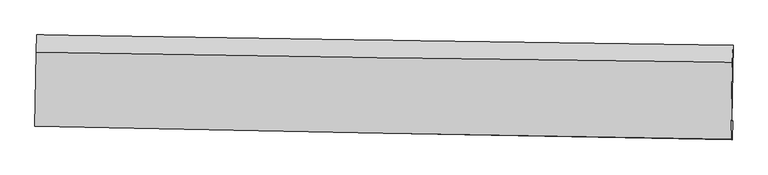
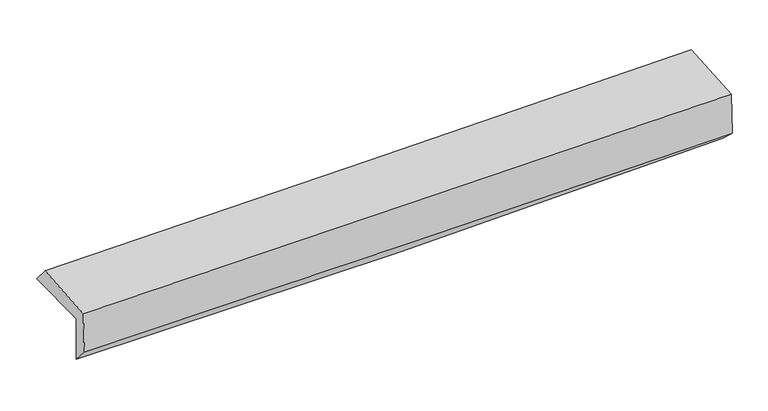
"""IFC4 building model written with IfcOpenShell, lengths in millimetres: proxy geometry."""

from ifc_helpers import new_model, si_unit, frame, origin, place, context, project, spatial, source, transform, mapped, element, save
from ifc_brep_helpers import plane_surface, spline_curve, spline_surface, advanced_brep


def generic_models_b61465f9(model_context):
    return source(origin(), model_context, "Body", "AdvancedBrep", [
        advanced_brep(
        [(-3020.39044, -1756.3145382, 1963.5620134), (-3008.975132, -1096.8283339, 1957.703967), (3008.6770879, -1188.3245257, 2099.1981318), (2997.4197203, -1845.046632, 2100.3702154), (-3010.2590745, -1738.8990008, 1547.2116815), (3007.1455033, -1837.8052062, 1693.8261511), (-3016.5114175, -1885.5360491, 1705.7699982), (3000.7100213, -2001.5436953, 1847.7572119), (-3025.6522875, -1884.2995656, 2093.6869574), (2991.5639152, -2000.3065035, 2235.8963783), (-3015.5308678, -1246.5464624, 2126.8771686), (3002.1593627, -1332.6847948, 2270.6410238)],
        [
            (0, 1),
            (1, 2, spline_curve(3, [(-3008.975132, -1096.8283339, 1957.703967), (-2005.609303033, -1112.582233381, 1962.925062851), (-1002.454748073, -1128.083874901, 1977.326816824), (1003.429324058, -1158.582604249, 2024.491584242), (2006.158842369, -1173.579693263, 2057.254551566), (3008.6770879, -1188.3245257, 2099.1981318)], [4, 2, 4], [0.0, 9.875744042921706, 19.751463573165204])),
            (2, 3),
            (3, 0, spline_curve(3, [(2997.4197203, -1845.046632, 2100.3702154), (1994.930090983, -1825.118259219, 2060.96788593), (992.20171886, -1807.759737826, 2029.866041169), (-1013.73500014, -1778.182360266, 1984.263266235), (-2016.943348144, -1765.963517383, 1969.762376509), (-3020.39044, -1756.3145382, 1963.5620134)], [4, 2, 4], [0.0, 9.875719530243497, 19.751463573165204])),
            (4, 0),
            (3, 5),
            (5, 4, spline_curve(3, [(3007.1455033, -1837.8052062, 1693.8261511), (2004.829114897, -1819.393194197, 1645.991009866), (1002.221162235, -1801.945013446, 1609.855567408), (-1003.580362548, -1768.976273638, 1560.98401914), (-2006.773935355, -1753.455719211, 1548.247971858), (-3010.2590745, -1738.8990008, 1547.2116815)], [4, 2, 4], [0.0, 9.875831473249535, 19.751687459455134])),
            (6, 4),
            (5, 7),
            (7, 6, spline_curve(3, [(3000.7100213, -2001.5436953, 1847.7572119), (1997.837258828, -1984.728087115, 1822.323002847), (994.966380293, -1966.652992845, 1797.773644057), (-1010.77409953, -1927.983783565, 1750.444568205), (-2013.643700158, -1907.389662702, 1727.664855997), (-3016.5114175, -1885.5360491, 1705.7699982)], [4, 2, 4], [0.0, 9.875513045980254, 19.7510506041262])),
            (8, 6),
            (7, 9),
            (9, 8, spline_curve(3, [(2991.5639152, -2000.3065035, 2235.8963783), (1988.693661198, -1983.491234637, 2210.355717486), (985.824473073, -1965.416369044, 2185.734615547), (-1019.914261307, -1926.747395765, 2138.331470823), (-2022.783807128, -1906.153282194, 2115.549432465), (-3025.6522875, -1884.2995656, 2093.6869574)], [4, 2, 4], [0.0, 9.87535088575643, 19.750726283276048])),
            (10, 8),
            (9, 11),
            (11, 10, spline_curve(3, [(3002.1593627, -1332.6847948, 2270.6410238), (1999.209534373, -1320.883517456, 2244.839422782), (996.261056895, -1307.804695073, 2219.958314599), (-1009.635686726, -1279.091923893, 2172.037025128), (-2012.583952512, -1263.457968832, 2148.996848203), (-3015.5308678, -1246.5464624, 2126.8771686)], [4, 2, 4], [0.0, 9.875328279128771, 19.75068106996462])),
            (1, 10),
            (11, 2),
        ],
        [
            spline_surface(3, 3, [[(-3020.39044, -1756.3145382, 1963.5620134), (-2016.943348151, -1765.963517316, 1969.762376593), (-1013.73500009, -1778.182360373, 1984.263266101), (992.20171881, -1807.759737719, 2029.866041304), (1994.930090879, -1825.118259284, 2060.967885802), (2997.4197203, -1845.046632, 2100.3702154)], [(-3016.585337345, -1536.485803421, 1961.609331254), (-2013.165333119, -1548.169755989, 1967.483271951), (-1009.974916096, -1561.482865204, 1981.951116369), (995.944253923, -1591.367359891, 2028.074555563), (1998.673008102, -1607.938737311, 2059.730107684), (3001.172176174, -1626.139263256, 2099.979520856)], [(-3012.780234655, -1316.657068679, 1959.656649146), (-2009.387318053, -1330.3759947, 1965.204167347), (-1006.21483213, -1344.783370059, 1979.638966677), (999.686789007, -1374.974982088, 2026.283069861), (2002.415925303, -1390.75921527, 2058.492329597), (3004.924632026, -1407.231894444, 2099.588826344)], [(-3008.975132, -1096.8283339, 1957.703967), (-2005.609303021, -1112.582233373, 1962.925062704), (-1002.454748135, -1128.083874889, 1977.326816946), (1003.42932412, -1158.58260426, 2024.49158412), (2006.158842526, -1173.579693297, 2057.254551479), (3008.6770879, -1188.3245257, 2099.1981318)]], [4, 4], [4, 2, 4], [0.0, 2.1317730922261187], [0.0, 9.875744042921706, 19.751463573165204]),
            spline_surface(3, 3, [[(-3010.2590745, -1738.8990008, 1547.2116815), (-2006.773935417, -1753.455719193, 1548.247971955), (-1003.580362395, -1768.976273572, 1560.984019299), (1002.221162082, -1801.945013512, 1609.855567249), (2004.829115011, -1819.393194223, 1645.991009765), (3007.1455033, -1837.8052062, 1693.8261511)], [(-3013.636196334, -1744.704179943, 1685.995125479), (-2010.163739662, -1757.624985244, 1688.752773513), (-1006.96524163, -1772.044969177, 1702.077101579), (998.881347655, -1803.883254918, 1749.859058614), (2001.529440293, -1821.301549221, 1784.316635117), (3003.903575627, -1840.219014777, 1829.340839206)], [(-3017.013318166, -1750.509359057, 1824.778569421), (-2013.553543906, -1761.794251265, 1829.257575035), (-1010.350120855, -1775.113664769, 1843.17018382), (995.541533237, -1805.821496313, 1889.862549939), (1998.229765596, -1823.209904287, 1922.64226045), (3000.661647973, -1842.632823423, 1964.855527294)], [(-3020.39044, -1756.3145382, 1963.5620134), (-2016.943348151, -1765.963517316, 1969.762376593), (-1013.73500009, -1778.182360373, 1984.263266101), (992.20171881, -1807.759737719, 2029.866041304), (1994.930090879, -1825.118259284, 2060.967885802), (2997.4197203, -1845.046632, 2100.3702154)]], [4, 4], [4, 2, 4], [0.0, 1.3839644608984318], [0.0, 9.875855986205599, 19.751687459455134]),
            spline_surface(3, 3, [[(-3016.5114175, -1885.5360491, 1705.7699982), (-2013.643700291, -1907.389662575, 1727.664855855), (-1010.774099423, -1927.983783633, 1750.444568322), (994.966380186, -1966.652992777, 1797.77364394), (1997.837258919, -1984.728087126, 1822.323002722), (3000.7100213, -2001.5436953, 1847.7572119)], [(-3014.427303163, -1836.657032992, 1652.917225943), (-2011.353778662, -1856.078348106, 1667.859227865), (-1008.37618707, -1874.981280294, 1687.291051986), (997.384640828, -1911.750333036, 1735.134285048), (2000.167877612, -1929.616456175, 1763.545671724), (3002.855181963, -1946.96419895, 1796.446858288)], [(-3012.343188837, -1787.778016908, 1600.064453757), (-2009.063857045, -1804.767033662, 1608.053599946), (-1005.978274748, -1821.978776911, 1624.137535635), (999.80290144, -1856.847673252, 1672.494926141), (2002.498496318, -1874.504825174, 1704.768340763), (3005.000342637, -1892.38470255, 1745.136504712)], [(-3010.2590745, -1738.8990008, 1547.2116815), (-2006.773935417, -1753.455719193, 1548.247971955), (-1003.580362395, -1768.976273572, 1560.984019299), (1002.221162082, -1801.945013512, 1609.855567249), (2004.829115011, -1819.393194223, 1645.991009765), (3007.1455033, -1837.8052062, 1693.8261511)]], [4, 4], [4, 2, 4], [0.0, 0.8159586319520182], [0.0, 9.875537558145945, 19.7510506041262]),
            spline_surface(3, 3, [[(-3025.6522875, -1884.2995656, 2093.6869574), (-2022.783807225, -1906.153282294, 2115.549432318), (-1019.914261238, -1926.747395881, 2138.33147075), (985.824473004, -1965.416368929, 2185.73461562), (1988.693661244, -1983.49123464, 2210.355717477), (2991.5639152, -2000.3065035, 2235.8963783)], [(-3022.605330818, -1884.711726773, 1964.38130434), (-2019.737104898, -1906.56540906, 1986.254573503), (-1016.867540642, -1927.159525118, 2009.035836612), (988.871775389, -1965.828576865, 2056.414291732), (1991.741527147, -1983.903518803, 2081.011479217), (2994.612617245, -2000.718900768, 2106.516656159)], [(-3019.558374182, -1885.123887927, 1835.07565126), (-2016.690402617, -1906.977535808, 1856.959714669), (-1013.820820019, -1927.571654395, 1879.740202459), (991.919077801, -1966.240784841, 1927.093967828), (1994.789393016, -1984.315802963, 1951.667240982), (2997.661319255, -2001.131298032, 1977.136934041)], [(-3016.5114175, -1885.5360491, 1705.7699982), (-2013.643700291, -1907.389662575, 1727.664855855), (-1010.774099423, -1927.983783633, 1750.444568322), (994.966380186, -1966.652992777, 1797.77364394), (1997.837258919, -1984.728087126, 1822.323002722), (3000.7100213, -2001.5436953, 1847.7572119)]], [4, 4], [4, 2, 4], [0.0, 1.2730760883651993], [0.0, 9.875375397519619, 19.750726283276048]),
            spline_surface(3, 3, [[(-3015.5308678, -1246.5464624, 2126.8771686), (-2012.583952496, -1263.457968953, 2148.996848065), (-1009.635686668, -1279.091923923, 2172.037025036), (996.261056838, -1307.804695043, 2219.958314691), (1999.209534512, -1320.883517548, 2244.839422749), (3002.1593627, -1332.6847948, 2270.6410238)], [(-3018.904674369, -1459.130830137, 2115.813764884), (-2015.983904074, -1477.68974007, 2137.8477095), (-1013.061878207, -1494.977081254, 2160.80184026), (992.782195545, -1527.00858635, 2208.550414988), (1995.704243425, -1541.752756587, 2233.344854329), (2998.627546869, -1555.225364375, 2259.059475304)], [(-3022.278480931, -1671.715197863, 2104.750361116), (-2019.383855646, -1691.921511177, 2126.698570883), (-1016.4880697, -1710.862238549, 2149.566655525), (989.303334297, -1746.212477622, 2197.142515324), (1992.198952331, -1762.621995601, 2221.850285897), (2995.095731031, -1777.765933925, 2247.477926796)], [(-3025.6522875, -1884.2995656, 2093.6869574), (-2022.783807225, -1906.153282294, 2115.549432318), (-1019.914261238, -1926.747395881, 2138.33147075), (985.824473004, -1965.416368929, 2185.73461562), (1988.693661244, -1983.49123464, 2210.355717477), (2991.5639152, -2000.3065035, 2235.8963783)]], [4, 4], [4, 2, 4], [0.0, 2.1443531396719564], [0.0, 9.87535279083585, 19.75068106996462]),
            spline_surface(3, 3, [[(-3008.975132, -1096.8283339, 1957.703967), (-2005.609303021, -1112.582233373, 1962.925062704), (-1002.454748135, -1128.083874889, 1977.326816946), (1003.42932412, -1158.58260426, 2024.49158412), (2006.158842526, -1173.579693297, 2057.254551479), (3008.6770879, -1188.3245257, 2099.1981318)], [(-3011.160377272, -1146.734376735, 2014.095034201), (-2007.934186184, -1162.874145235, 2024.948991159), (-1004.848394305, -1178.419891225, 2042.230219645), (1001.0399017, -1208.323301179, 2089.64716098), (2003.842406511, -1222.680968021, 2119.782841923), (3006.504512823, -1236.444615374, 2156.345762487)], [(-3013.345622528, -1196.640419565, 2070.486101399), (-2010.259069332, -1213.166057091, 2086.972919611), (-1007.242040498, -1228.755907587, 2107.133622336), (998.650479258, -1258.063998125, 2154.802737831), (2001.525970527, -1271.782242824, 2182.311132305), (3004.331937777, -1284.564705126, 2213.493393113)], [(-3015.5308678, -1246.5464624, 2126.8771686), (-2012.583952496, -1263.457968953, 2148.996848065), (-1009.635686668, -1279.091923923, 2172.037025036), (996.261056838, -1307.804695043, 2219.958314691), (1999.209534512, -1320.883517548, 2244.839422749), (3002.1593627, -1332.6847948, 2270.6410238)]], [4, 4], [4, 2, 4], [0.0, 0.8079498423100594], [0.0, 9.875494982223378, 19.750965452386744]),
            plane_surface(frame((3001.2792684, -1700.9518929, 2041.2815187), z_axis=(0.9995751561748571, -0.01709233450270106, 0.023608457367179), x_axis=(0.02355732767428651, -0.0031865946300035867, -0.9997174090349285))),
            plane_surface(frame((-3016.2198699, -1601.4039917, 1899.1352977), z_axis=(-0.999575156174875, 0.01709233450067479, -0.02360845736788546), x_axis=(-0.01730612111714503, -0.9998107945528465, 0.008881062294822575))),
        ],
        [
            (0, [[1, 2, 3, 4]]),
            (1, [[5, -4, 6, 7]]),
            (2, [[8, -7, 9, 10]]),
            (3, [[11, -10, 12, 13]]),
            (4, [[14, -13, 15, 16]]),
            (5, [[17, -16, 18, -2]]),
            (6, [[-12, -9, -6, -3, -18, -15]]),
            (7, [[-1, -5, -8, -11, -14, -17]]),
        ],
    ),
    ])


if __name__ == "__main__":
    model = new_model("IFC4")
    model_context = context("Model", 3, world=origin())
    ifc_project = project(units=[si_unit("LENGTHUNIT", "METRE", prefix="MILLI")], contexts=[model_context])
    site = spatial("IfcSite", under=ifc_project)
    building = spatial("IfcBuilding", under=site)
    placement = place(None, origin())
    generic_models_shape = generic_models_b61465f9(model_context)
    element("IfcBuildingElementProxy", 1, Name="Generic Models", at=placement, inside=building, context=model_context, shape_type="MappedRepresentation", body=[
        mapped(generic_models_shape, transform((0.0, 0.0, 0.0), x_axis=(1.0, 0.0, 0.0), y_axis=(0.0, 1.0, 0.0), z_axis=(0.0, 0.0, 1.0))),
    ])
    save(model, "model.ifc")
